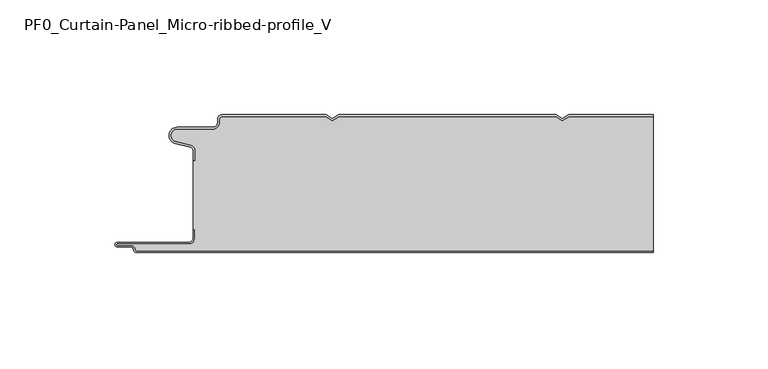
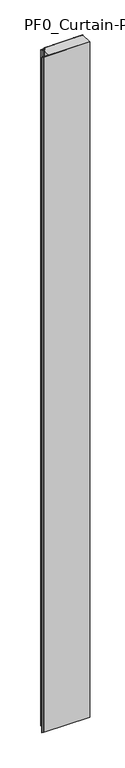
"""IFC4 building model written with IfcOpenShell, lengths in millimetres: plate geometry, PF0_Curtain-Panel_Micro-ribbed-profile_V."""

from ifc_helpers import new_model, si_unit, point, frame_2d, origin, origin_with_axes, place, context, project, spatial, polyline, circle_curve, trimmed, segment, composite_curve, outline, extrude, source, transform, mapped, element, save


def pf0_curtain_panel_micro_ribbed_profile_v_9bf6a504(model_context):
    return source(origin(), model_context, "Body", "SweptSolid", [
        extrude(outline(composite_curve([segment(trimmed(circle_curve(frame_2d((-102.0, -15.878557)), 2.0), [point((-100.0, -15.878557))], [point((-101.5500978, -13.9298169))], True, "CARTESIAN"), True, "CONTINUOUS"), segment(polyline([(-101.5500978, -13.9298169), (-107.7098239, -12.507732)]), True, "CONTINUOUS"), segment(trimmed(circle_curve(frame_2d((-106.9, -9.0)), 3.6), [point((-107.7098239, -12.507732))], [point((-106.9, -5.4))], False, "CARTESIAN"), True, "CONTINUOUS"), segment(polyline([(-106.9, -5.4), (-91.4, -5.4)]), True, "CONTINUOUS"), segment(trimmed(circle_curve(frame_2d((-91.4, -3.4)), 2.0), [point((-91.4, -5.4))], [point((-89.4, -3.4))], True, "CARTESIAN"), True, "CONTINUOUS"), segment(polyline([(-89.4, -3.4), (-89.4, -2.0)]), True, "CONTINUOUS"), segment(trimmed(circle_curve(frame_2d((-87.4, -2.0)), 2.0), [point((-89.4, -2.0))], [point((-87.4, 0.0))], False, "CARTESIAN"), True, "CONTINUOUS"), segment(polyline([(-87.4, 0.0), (-42.0999995, 0.0), (-39.4, -1.5588455), (-36.7000005, 0.0), (57.9000005, 0.0), (60.6, -1.5588455), (63.2999995, 0.0), (100.0, 0.0), (100.0, -0.8), (63.5143588, -0.8), (60.6, -2.482606), (57.6856412, -0.8), (-36.4856412, -0.8), (-39.4, -2.482606), (-42.3143588, -0.8), (-87.4, -0.8)]), True, "CONTINUOUS"), segment(trimmed(circle_curve(frame_2d((-87.4, -2.0)), 1.2), [point((-87.4, -0.8))], [point((-88.6, -2.0))], True, "CARTESIAN"), True, "CONTINUOUS"), segment(polyline([(-88.6, -2.0), (-88.6, -3.4)]), True, "CONTINUOUS"), segment(trimmed(circle_curve(frame_2d((-91.4, -3.4)), 2.8), [point((-88.6, -3.4))], [point((-91.4, -6.2))], False, "CARTESIAN"), True, "CONTINUOUS"), segment(polyline([(-91.4, -6.2), (-106.9, -6.2)]), True, "CONTINUOUS"), segment(trimmed(circle_curve(frame_2d((-106.9, -9.0)), 2.8), [point((-106.9, -6.2))], [point((-107.529863, -11.7282362))], True, "CARTESIAN"), True, "CONTINUOUS"), segment(polyline([(-107.529863, -11.7282362), (-101.370137, -13.150321)]), True, "CONTINUOUS"), segment(trimmed(circle_curve(frame_2d((-102.0, -15.878557)), 2.8), [point((-101.370137, -13.150321))], [point((-99.2, -15.878557))], False, "CARTESIAN"), True, "CONTINUOUS"), segment(polyline([(-99.2, -15.878557), (-99.2, -20.0), (-100.0, -20.0), (-100.0, -15.878557)]), True, "CONTINUOUS")], self_intersect=False)), origin_with_axes(), (0.0, 0.0, 1.0), 3500.0),
        extrude(outline(composite_curve([segment(polyline([(-99.2, -50.0), (-100.0, -50.0), (-100.0, -20.0), (-99.2, -20.0), (-99.2, -15.878557)]), True, "CONTINUOUS"), segment(trimmed(circle_curve(frame_2d((-102.0, -15.878557)), 2.8), [point((-99.2, -15.878557))], [point((-101.370137, -13.1503208))], True, "CARTESIAN"), True, "CONTINUOUS"), segment(polyline([(-101.370137, -13.1503208), (-107.529863, -11.7282362)]), True, "CONTINUOUS"), segment(trimmed(circle_curve(frame_2d((-106.9, -9.0)), 2.8), [point((-107.529863, -11.7282362))], [point((-106.9, -6.2))], False, "CARTESIAN"), True, "CONTINUOUS"), segment(polyline([(-106.9, -6.2), (-91.4, -6.2)]), True, "CONTINUOUS"), segment(trimmed(circle_curve(frame_2d((-91.4, -3.4)), 2.8), [point((-91.4, -6.2))], [point((-88.6, -3.4))], True, "CARTESIAN"), True, "CONTINUOUS"), segment(polyline([(-88.6, -3.4), (-88.6, -2.0)]), True, "CONTINUOUS"), segment(trimmed(circle_curve(frame_2d((-87.4, -2.0)), 1.2), [point((-88.6, -2.0))], [point((-87.4, -0.8))], False, "CARTESIAN"), True, "CONTINUOUS"), segment(polyline([(-87.4, -0.8), (-42.3143588, -0.8), (-39.4, -2.482606), (-36.4856412, -0.8), (57.6856412, -0.8), (60.6, -2.482606), (63.5143588, -0.8), (100.0, -0.8), (100.0, -59.2), (-124.4, -59.2)]), True, "CONTINUOUS"), segment(trimmed(circle_curve(frame_2d((-124.4, -58.4)), 0.8), [point((-124.4, -59.2))], [point((-125.2, -58.4))], False, "CARTESIAN"), True, "CONTINUOUS"), segment(trimmed(circle_curve(frame_2d((-126.9, -58.6133333)), 1.7133333), [point((-125.2, -58.4))], [point((-126.9, -56.9))], True, "CARTESIAN"), True, "CONTINUOUS"), segment(polyline([(-126.9, -56.9), (-132.8700312, -56.9)]), True, "CONTINUOUS"), segment(trimmed(circle_curve(frame_2d((-132.8700312, -56.6)), 0.3), [point((-132.8700312, -56.9))], [point((-132.8700312, -56.3))], False, "CARTESIAN"), True, "CONTINUOUS"), segment(polyline([(-132.8700312, -56.3), (-102.0, -56.3)]), True, "CONTINUOUS"), segment(trimmed(circle_curve(frame_2d((-102.0, -53.5)), 2.8), [point((-102.0, -56.3))], [point((-99.2, -53.5))], True, "CARTESIAN"), True, "CONTINUOUS"), segment(polyline([(-99.2, -53.5), (-99.2, -50.0)]), True, "CONTINUOUS")], self_intersect=False)), origin_with_axes(), (0.0, 0.0, 1.0), 3500.0),
        extrude(outline(composite_curve([segment(polyline([(-100.0, -50.0), (-99.2, -50.0), (-99.2, -53.5)]), True, "CONTINUOUS"), segment(trimmed(circle_curve(frame_2d((-102.0, -53.5)), 2.8), [point((-99.2, -53.5))], [point((-102.0, -56.3))], False, "CARTESIAN"), True, "CONTINUOUS"), segment(polyline([(-102.0, -56.3), (-132.8700312, -56.3)]), True, "CONTINUOUS"), segment(trimmed(circle_curve(frame_2d((-132.8700312, -56.6)), 0.3), [point((-132.8700312, -56.3))], [point((-132.8700312, -56.9))], True, "CARTESIAN"), True, "CONTINUOUS"), segment(polyline([(-132.8700312, -56.9), (-126.9, -56.9)]), True, "CONTINUOUS"), segment(trimmed(circle_curve(frame_2d((-126.9, -58.6133333)), 1.7133333), [point((-126.9, -56.9))], [point((-125.2, -58.4))], False, "CARTESIAN"), True, "CONTINUOUS"), segment(trimmed(circle_curve(frame_2d((-124.4, -58.4)), 0.8), [point((-125.2, -58.4))], [point((-124.4, -59.2))], True, "CARTESIAN"), True, "CONTINUOUS"), segment(polyline([(-124.4, -59.2), (100.0, -59.2), (100.0, -60.0), (-124.4, -60.0)]), True, "CONTINUOUS"), segment(trimmed(circle_curve(frame_2d((-124.4, -58.4)), 1.6), [point((-124.4, -60.0))], [point((-126.0, -58.4))], False, "CARTESIAN"), True, "CONTINUOUS"), segment(trimmed(circle_curve(frame_2d((-126.9, -58.4)), 0.9), [point((-126.0, -58.4))], [point((-126.9, -57.5))], True, "CARTESIAN"), True, "CONTINUOUS"), segment(polyline([(-126.9, -57.5), (-133.0, -57.5)]), True, "CONTINUOUS"), segment(trimmed(circle_curve(frame_2d((-133.0, -56.5)), 1.0), [point((-133.0, -57.5))], [point((-133.0, -55.5))], False, "CARTESIAN"), True, "CONTINUOUS"), segment(polyline([(-133.0, -55.5), (-102.0, -55.5)]), True, "CONTINUOUS"), segment(trimmed(circle_curve(frame_2d((-102.0, -53.5)), 2.0), [point((-102.0, -55.5))], [point((-100.0, -53.5))], True, "CARTESIAN"), True, "CONTINUOUS"), segment(polyline([(-100.0, -53.5), (-100.0, -50.0)]), True, "CONTINUOUS")], self_intersect=False)), origin_with_axes(), (0.0, 0.0, 1.0), 3500.0),
    ])


if __name__ == "__main__":
    model = new_model("IFC4")
    model_context = context("Model", 3, world=origin())
    ifc_project = project(units=[si_unit("LENGTHUNIT", "METRE", prefix="MILLI")], contexts=[model_context])
    site = spatial("IfcSite", under=ifc_project)
    building = spatial("IfcBuilding", under=site)
    placement = place(None, origin())
    pf0_curtain_panel_micro_ribbed_profile_v_shape = pf0_curtain_panel_micro_ribbed_profile_v_9bf6a504(model_context)
    element("IfcPlate", 1, ObjectType="PF0_Curtain-Panel_Micro-ribbed-profile_V", at=placement, inside=building, context=model_context, shape_type="MappedRepresentation", body=[
        mapped(pf0_curtain_panel_micro_ribbed_profile_v_shape, transform((0.0, 0.0, 0.0), x_axis=(1.0, 0.0, 0.0), y_axis=(0.0, 1.0, 0.0), z_axis=(0.0, 0.0, 1.0))),
    ])
    save(model, "model.ifc")
